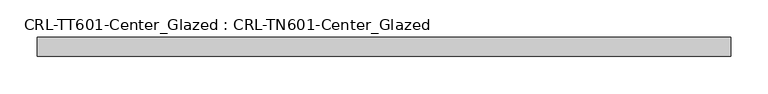
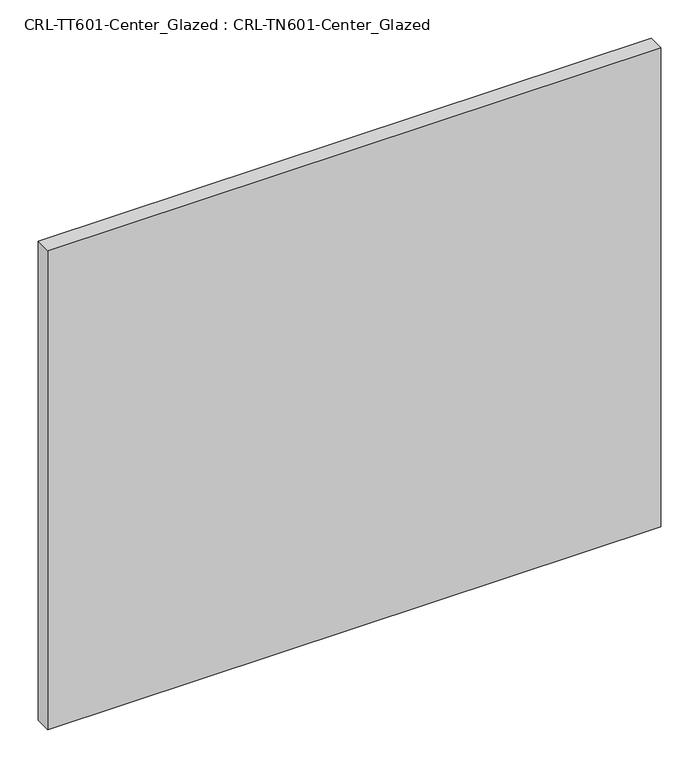
"""IFC4 building model written with IfcOpenShell, lengths in millimetres: plate geometry, CRL-TT601-Center_Glazed : CRL-TN601-Center_Glazed."""

from ifc_helpers import new_model, si_unit, origin, origin_with_axes, place, context, project, spatial, polyline, outline, extrude, source, transform, mapped, element, save


def crl_tt601_center_glazed_crl_tn601_center_glazed_eaa68e88(model_context):
    return source(origin(), model_context, "Body", "SweptSolid", [
        extrude(outline(polyline([(-463.55, -12.7254), (-463.55, 12.6746), (463.55, 12.6746), (463.55, -12.7254), (-463.55, -12.7254)])), origin_with_axes(), (0.0, 0.0, 1.0), 766.1482726),
    ])


if __name__ == "__main__":
    model = new_model("IFC4")
    model_context = context("Model", 3, world=origin())
    ifc_project = project(units=[si_unit("LENGTHUNIT", "METRE", prefix="MILLI")], contexts=[model_context])
    site = spatial("IfcSite", under=ifc_project)
    building = spatial("IfcBuilding", under=site)
    placement = place(None, origin())
    crl_tt601_center_glazed_crl_tn601_center_glazed_shape = crl_tt601_center_glazed_crl_tn601_center_glazed_eaa68e88(model_context)
    element("IfcPlate", 1, ObjectType="CRL-TT601-Center_Glazed : CRL-TN601-Center_Glazed", at=placement, inside=building, context=model_context, shape_type="MappedRepresentation", body=[
        mapped(crl_tt601_center_glazed_crl_tn601_center_glazed_shape, transform((0.0, 0.0, 0.0), x_axis=(1.0, 0.0, 0.0), y_axis=(0.0, 1.0, 0.0), z_axis=(0.0, 0.0, 1.0))),
    ])
    save(model, "model.ifc")
